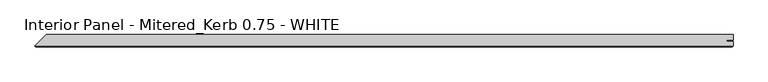
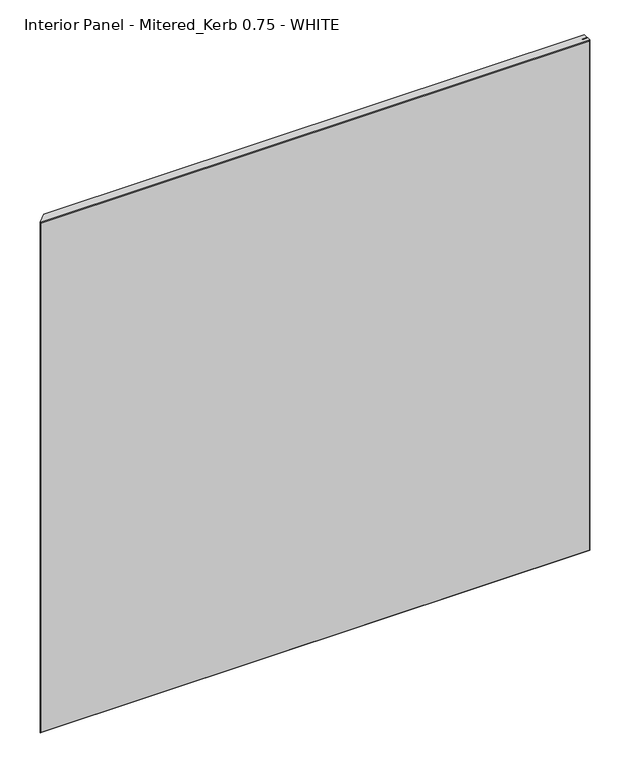
"""IFC4 building model written with IfcOpenShell, lengths in millimetres: proxy geometry, Interior Panel - Mitered_Kerb 0.75 - WHITE."""

from ifc_helpers import new_model, si_unit, origin, place, context, project, spatial, faceted_brep, source, transform, mapped, element, save


def interior_panel_mitered_kerb_0_75_white_9c512125(model_context):
    return source(origin(), model_context, "Body", "Brep", [
        faceted_brep([(1010.840625, 3.175, 1063.625), (-55.5625, 3.175, 1063.625), (-73.025, -14.2875, 1063.625), (1010.840625, -14.2875, 1063.625), (1010.840625, -7.4168, 1063.625), (1001.0179687, -7.4168, 1063.625), (1001.0179687, -5.2832, 1063.625), (1010.840625, -5.2832, 1063.625), (1010.840625, 3.175, 0.0), (1010.840625, -5.2832, 0.0), (1001.0179687, -5.2832, 0.0), (1001.0179687, -7.4168, 0.0), (1010.840625, -7.4168, 0.0), (1010.840625, -14.2875, 0.0), (-73.025, -14.2875, 0.0), (-55.5625, 3.175, 0.0), (-71.4375, -15.875, 1062.0375), (-71.4375, -15.875, 1.5875), (1009.253125, -15.875, 1.5875), (1009.253125, -15.875, 1062.0375)], [[[0, 1, 2, 3, 4, 5, 6, 7]], [[8, 9, 10, 11, 12, 13, 14, 15]], [[1, 0, 8, 15]], [[16, 17, 18, 19]], [[4, 3, 13, 12]], [[13, 3, 19, 18]], [[3, 2, 16, 19]], [[14, 13, 18, 17]], [[5, 4, 12, 11]], [[6, 5, 11, 10]], [[7, 6, 10, 9]], [[0, 7, 9, 8]], [[2, 14, 17, 16]], [[2, 1, 15, 14]]]),
    ])


if __name__ == "__main__":
    model = new_model("IFC4")
    model_context = context("Model", 3, world=origin())
    ifc_project = project(units=[si_unit("LENGTHUNIT", "METRE", prefix="MILLI")], contexts=[model_context])
    site = spatial("IfcSite", under=ifc_project)
    building = spatial("IfcBuilding", under=site)
    placement = place(None, origin())
    interior_panel_mitered_kerb_0_75_white_shape = interior_panel_mitered_kerb_0_75_white_9c512125(model_context)
    element("IfcBuildingElementProxy", 1, Name="Interior Panel - Mitered_Kerb 0.75 - WHITE", ObjectType="Interior Panel - Mitered_Kerb 0.75 - WHITE", at=placement, inside=building, context=model_context, shape_type="MappedRepresentation", body=[
        mapped(interior_panel_mitered_kerb_0_75_white_shape, transform((0.0, 0.0, 0.0), x_axis=(1.0, 0.0, 0.0), y_axis=(0.0, 1.0, 0.0), z_axis=(0.0, 0.0, 1.0))),
    ])
    save(model, "model.ifc")
